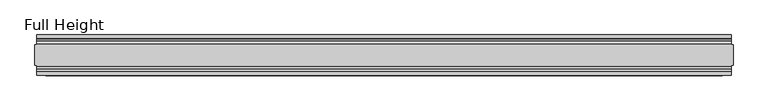
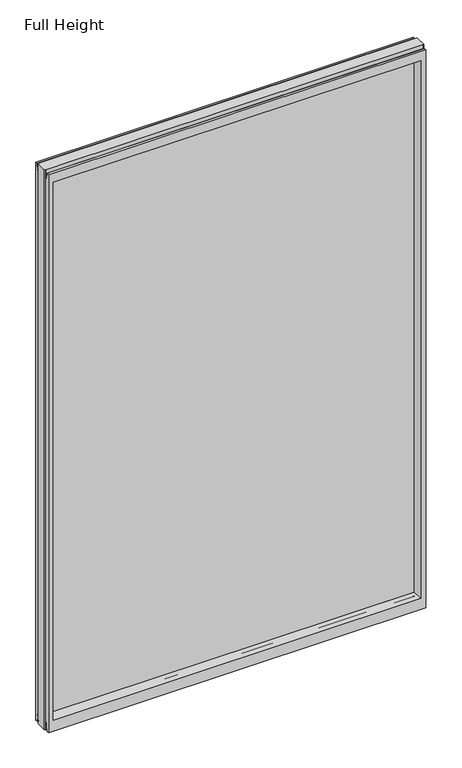
"""IFC4 building model written with IfcOpenShell, lengths in millimetres: plate geometry, Full Height."""

from ifc_helpers import new_model, si_unit, frame, origin, place, context, project, spatial, polyline, circle_curve, outline, extrude, source, transform, mapped, element, save
from ifc_brep_helpers import plane_surface, cylinder_surface, revolved_surface, advanced_brep


def full_height_a168727e(model_context):
    return source(origin(), model_context, "Body", "SolidModel", [
        extrude(outline(polyline([(828.1194857, 6.35), (828.1194857, -6.35), (-828.1194857, -6.35), (-828.1194857, 6.35), (828.1194857, 6.35)])), frame((0.0, 0.0, 58.801), z_axis=(0.0, 0.0, 1.0), x_axis=(1.0, 0.0, 0.0)), (0.0, 0.0, 1.0), 2569.845),
        advanced_brep(
        [(860.7584857, 25.146, 2688.336), (856.1864857, 25.146, 2688.336), (856.1864857, 26.67, 2688.336), (-856.1864857, 26.67, 2688.336), (-856.1864857, 25.146, 2688.336), (-860.7584857, 25.146, 2688.336), (-860.7584857, -25.146, 2688.336), (-856.1864857, -25.146, 2688.336), (-856.1864857, -26.67, 2688.336), (856.1864857, -26.67, 2688.336), (856.1864857, -25.146, 2688.336), (860.7584857, -25.146, 2688.336), (860.7584857, 25.146, 0.0), (860.7584857, -25.146, 0.0), (856.1864857, -25.146, 0.0), (856.1864857, -26.67, 0.0), (-856.1864857, -26.67, 0.0), (-856.1864857, -25.146, 0.0), (-860.7584857, -25.146, 0.0), (-860.7584857, 25.146, 0.0), (-856.1864857, 25.146, 0.0), (-856.1864857, 26.67, 0.0), (856.1864857, 26.67, 0.0), (856.1864857, 25.146, 0.0), (-856.1864857, 40.7946686, 0.0), (-856.1864857, 50.0, 0.0), (856.1864857, 50.0, 0.0), (856.1864857, 40.7946686, 0.0), (-856.1864857, 26.67, 36.4542208), (856.1864857, 26.67, 36.4542208), (-856.1864857, -26.67, 36.4542208), (-856.1864857, -34.2686707, 36.8568054), (-856.1864857, -36.9464913, 11.6561909), (-856.1864857, -39.043018, 8.6755976), (-856.1864857, -39.5246686, 7.9074686), (-856.1864857, -39.5246686, 1.27), (-856.1864857, -40.7946686, 0.0), (-856.1864857, -50.0, 0.0), (-856.1864857, -50.0, 2679.192), (-856.1864857, -39.9371387, 2679.192), (-856.1864857, -39.1867152, 2678.5623199), (-856.1864857, -34.2321175, 2650.4634004), (-856.1864857, -26.67, 2651.125), (-856.1864857, 39.5246686, 1.27), (-856.1864857, 39.5246686, 7.9074686), (-856.1864857, 39.043018, 8.6755976), (-856.1864857, 36.9464913, 11.6561909), (-856.1864857, 34.2686707, 36.8568054), (-856.1864857, 26.67, 2651.125), (-856.1864857, 34.2321175, 2650.4634004), (-856.1864857, 39.1867152, 2678.5623199), (-856.1864857, 39.9371387, 2679.192), (-856.1864857, 50.0, 2679.192), (856.1864857, -50.0, 0.0), (856.1864857, -50.0, 2679.192), (-834.0884857, -50.0, 2634.615), (834.0884857, -50.0, 2634.615), (834.0884857, -50.0, 52.8372208), (-834.0884857, -50.0, 52.8372208), (856.1864857, 50.0, 2679.192), (-834.0884857, 50.0, 52.8372208), (834.0884857, 50.0, 52.8372208), (834.0884857, 50.0, 2634.615), (-834.0884857, 50.0, 2634.615), (-828.1194857, -6.1006519, 58.8062208), (-828.1194857, -6.1006519, 2628.646), (-828.1194857, 6.1006519, 2628.646), (-828.1194857, 6.1006519, 58.8062208), (828.1194857, 6.1006519, 58.8062208), (828.1194857, 6.1006519, 2628.646), (828.1194857, -6.1006519, 2628.646), (828.1194857, -6.1006519, 58.8062208), (856.1864857, -40.7946686, 0.0), (856.1864857, -39.5246686, 1.27), (856.1864857, -39.5246686, 7.9074686), (856.1864857, -39.043018, 8.6755976), (856.1864857, -36.9464913, 11.6561909), (856.1864857, -34.2686707, 36.8568054), (856.1864857, -26.67, 36.4542208), (856.1864857, -26.67, 2651.125), (856.1864857, -34.2321175, 2650.4634004), (856.1864857, -39.1867152, 2678.5623199), (856.1864857, -39.9371387, 2679.192), (856.1864857, 39.9371387, 2679.192), (856.1864857, 39.1867152, 2678.5623199), (856.1864857, 34.2321175, 2650.4634004), (856.1864857, 26.67, 2651.125), (856.1864857, 34.2686707, 36.8568054), (856.1864857, 36.9464913, 11.6561909), (856.1864857, 39.043018, 8.6755976), (856.1864857, 39.5246686, 7.9074686), (856.1864857, 39.5246686, 1.27)],
        [
            (0, 1),
            (1, 2),
            (2, 3),
            (3, 4),
            (4, 5),
            (5, 6),
            (6, 7),
            (7, 8),
            (8, 9),
            (9, 10),
            (10, 11),
            (11, 0),
            (12, 13),
            (13, 14),
            (14, 15),
            (15, 16),
            (16, 17),
            (17, 18),
            (18, 19),
            (19, 20),
            (20, 21),
            (21, 22),
            (22, 23),
            (23, 12),
            (23, 1),
            (0, 12),
            (10, 14),
            (13, 11),
            (5, 19),
            (18, 6),
            (17, 7),
            (4, 20),
            (24, 25),
            (25, 26),
            (26, 27),
            (27, 24),
            (21, 28),
            (28, 29),
            (29, 22),
            (16, 30),
            (30, 31, circle_curve(frame((-856.1864857, -30.48, 36.4542208), z_axis=(1.0, 0.0, 0.0), x_axis=(0.0, -1.0, 0.0)), 3.81)),
            (31, 32),
            (32, 33, circle_curve(frame((-856.1864857, -40.6770502, 12.0526006), z_axis=(-1.0, 0.0, 0.0), x_axis=(0.0, -1.0, 0.0)), 3.751561)),
            (33, 34, circle_curve(frame((-856.1864857, -38.671343, 7.9074686), z_axis=(1.0, 0.0, 0.0), x_axis=(0.0, -1.0, 0.0)), 0.8533256)),
            (34, 35),
            (35, 36, circle_curve(frame((-856.1864857, -40.7946686, 1.27), z_axis=(-1.0, 0.0, 0.0), x_axis=(0.0, -1.0, 0.0)), 1.27)),
            (36, 37),
            (37, 38),
            (38, 39),
            (39, 40, circle_curve(frame((-856.1864857, -39.9371387, 2678.43), z_axis=(-1.0, 0.0, 0.0), x_axis=(0.0, -1.0, 0.0)), 0.762)),
            (40, 41),
            (41, 42, circle_curve(frame((-856.1864857, -30.48, 2651.125), z_axis=(1.0, 0.0, 0.0), x_axis=(0.0, -1.0, 0.0)), 3.81)),
            (42, 8),
            (24, 43, circle_curve(frame((-856.1864857, 40.7946686, 1.27), z_axis=(-1.0, 0.0, 0.0), x_axis=(0.0, -1.0, 0.0)), 1.27)),
            (43, 44),
            (44, 45, circle_curve(frame((-856.1864857, 38.671343, 7.9074686), z_axis=(1.0, 0.0, 0.0), x_axis=(0.0, -1.0, 0.0)), 0.8533256)),
            (45, 46, circle_curve(frame((-856.1864857, 40.6770502, 12.0526006), z_axis=(-1.0, 0.0, 0.0), x_axis=(0.0, -1.0, 0.0)), 3.751561)),
            (46, 47),
            (47, 28, circle_curve(frame((-856.1864857, 30.48, 36.4542208), z_axis=(1.0, 0.0, 0.0), x_axis=(0.0, -1.0, 0.0)), 3.81)),
            (3, 48),
            (48, 49, circle_curve(frame((-856.1864857, 30.48, 2651.125), z_axis=(1.0, 0.0, 0.0), x_axis=(0.0, -1.0, 0.0)), 3.81)),
            (49, 50),
            (50, 51, circle_curve(frame((-856.1864857, 39.9371387, 2678.43), z_axis=(-1.0, 0.0, 0.0), x_axis=(0.0, -1.0, 0.0)), 0.762)),
            (51, 52),
            (52, 25),
            (37, 53),
            (53, 54),
            (54, 38),
            (55, 56),
            (56, 57),
            (57, 58),
            (58, 55),
            (52, 59),
            (59, 26),
            (60, 61),
            (61, 62),
            (62, 63),
            (63, 60),
            (58, 64),
            (64, 65),
            (65, 55),
            (63, 66),
            (66, 67),
            (67, 60),
            (61, 68),
            (68, 69),
            (69, 62),
            (70, 71),
            (71, 57),
            (56, 70),
            (53, 72),
            (72, 73, circle_curve(frame((856.1864857, -40.7946686, 1.27), z_axis=(1.0, 0.0, 0.0), x_axis=(0.0, -1.0, 0.0)), 1.27)),
            (73, 74),
            (74, 75, circle_curve(frame((856.1864857, -38.671343, 7.9074686), z_axis=(-1.0, 0.0, 0.0), x_axis=(0.0, -1.0, 0.0)), 0.8533256)),
            (75, 76, circle_curve(frame((856.1864857, -40.6770502, 12.0526006), z_axis=(1.0, 0.0, 0.0), x_axis=(0.0, -1.0, 0.0)), 3.751561)),
            (76, 77),
            (77, 78, circle_curve(frame((856.1864857, -30.48, 36.4542208), z_axis=(-1.0, 0.0, 0.0), x_axis=(0.0, -1.0, 0.0)), 3.81)),
            (78, 15),
            (9, 79),
            (79, 80, circle_curve(frame((856.1864857, -30.48, 2651.125), z_axis=(-1.0, 0.0, 0.0), x_axis=(0.0, -1.0, 0.0)), 3.81)),
            (80, 81),
            (81, 82, circle_curve(frame((856.1864857, -39.9371387, 2678.43), z_axis=(1.0, 0.0, 0.0), x_axis=(0.0, -1.0, 0.0)), 0.762)),
            (82, 54),
            (59, 83),
            (83, 84, circle_curve(frame((856.1864857, 39.9371387, 2678.43), z_axis=(1.0, 0.0, 0.0), x_axis=(0.0, -1.0, 0.0)), 0.762)),
            (84, 85),
            (85, 86, circle_curve(frame((856.1864857, 30.48, 2651.125), z_axis=(-1.0, 0.0, 0.0), x_axis=(0.0, -1.0, 0.0)), 3.81)),
            (86, 2),
            (29, 87, circle_curve(frame((856.1864857, 30.48, 36.4542208), z_axis=(-1.0, 0.0, 0.0), x_axis=(0.0, -1.0, 0.0)), 3.81)),
            (87, 88),
            (88, 89, circle_curve(frame((856.1864857, 40.6770502, 12.0526006), z_axis=(1.0, 0.0, 0.0), x_axis=(0.0, -1.0, 0.0)), 3.751561)),
            (89, 90, circle_curve(frame((856.1864857, 38.671343, 7.9074686), z_axis=(-1.0, 0.0, 0.0), x_axis=(0.0, -1.0, 0.0)), 0.8533256)),
            (90, 91),
            (91, 27, circle_curve(frame((856.1864857, 40.7946686, 1.27), z_axis=(1.0, 0.0, 0.0), x_axis=(0.0, -1.0, 0.0)), 1.27)),
            (91, 43),
            (90, 44),
            (89, 45),
            (88, 46),
            (87, 47),
            (78, 30),
            (31, 77),
            (76, 32),
            (75, 33),
            (74, 34),
            (73, 35),
            (72, 36),
            (71, 64),
            (67, 68),
            (86, 48),
            (85, 49),
            (84, 50),
            (83, 51),
            (69, 66),
            (65, 70),
            (82, 39),
            (81, 40),
            (80, 41),
            (79, 42),
            (65, 66),
            (69, 70),
            (71, 68),
            (67, 64),
        ],
        [
            plane_surface(frame((856.1864857, 25.146, 2688.336), z_axis=(0.0, 0.0, 1.0), x_axis=(-1.0, 0.0, 0.0))),
            plane_surface(frame((856.1864857, 25.146, 0.0), z_axis=(0.0, 0.0, -1.0), x_axis=(1.0, 0.0, 0.0))),
            plane_surface(frame((860.7584857, 25.146, 2688.336), z_axis=(0.0, 1.0, 0.0), x_axis=(0.0, 0.0, -1.0))),
            plane_surface(frame((856.1864857, -25.146, 2688.336), z_axis=(0.0, -1.0, 0.0), x_axis=(0.0, 0.0, -1.0))),
            plane_surface(frame((860.7584857, -25.146, 2688.336), z_axis=(1.0, 0.0, 0.0), x_axis=(0.0, 0.0, -1.0))),
            plane_surface(frame((-860.7584857, 25.146, 2688.336), z_axis=(-1.0, 0.0, 0.0), x_axis=(0.0, 0.0, -1.0))),
            plane_surface(frame((-860.7584857, -25.146, 2688.336), z_axis=(0.0, -1.0, 0.0), x_axis=(0.0, 0.0, -1.0))),
            plane_surface(frame((-856.1864857, 25.146, 2688.336), z_axis=(0.0, 1.0, 0.0), x_axis=(0.0, 0.0, -1.0))),
            plane_surface(frame((-856.1864857, 50.0, 0.0), z_axis=(0.0, 0.0, -1.0), x_axis=(1.0, 0.0, 0.0))),
            plane_surface(frame((-856.1864857, 26.67, 36.4542208), z_axis=(0.0, 1.0, 0.0), x_axis=(1.0, 0.0, 0.0))),
            plane_surface(frame((-856.1864857, 50.0, 2646.4006), z_axis=(-1.0, 0.0, 0.0), x_axis=(0.0, 0.0, -1.0))),
            plane_surface(frame((-856.1864857, -50.0, 2646.4006), z_axis=(0.0, -1.0, 0.0), x_axis=(0.0, 0.0, -1.0))),
            plane_surface(frame((-834.0884857, 50.0, 2646.4006), z_axis=(0.0, 1.0, 0.0), x_axis=(0.0, 0.0, -1.0))),
            plane_surface(frame((-834.0884857, -50.0, 2646.4006), z_axis=(0.9908822943533606, -0.13473039277393942, 0.0), x_axis=(0.0, 0.0, -1.0))),
            plane_surface(frame((-828.1194857, 6.1006519, 2646.4006), z_axis=(0.9908822943533612, 0.13473039277393595, 0.0), x_axis=(0.0, 0.0, -1.0))),
            plane_surface(frame((834.0884857, 50.0, 2646.4006), z_axis=(-0.9908822943533602, 0.1347303927739433, 0.0), x_axis=(0.0, 0.0, -1.0))),
            plane_surface(frame((828.1194857, -6.1006519, 2646.4006), z_axis=(-0.990882294353356, -0.13473039277397456, 0.0), x_axis=(0.0, 0.0, -1.0))),
            plane_surface(frame((856.1864857, -50.0, 2646.4006), z_axis=(1.0, 0.0, 0.0), x_axis=(0.0, 0.0, -1.0))),
            cylinder_surface(frame((856.1864857, 40.7946686, 1.27), z_axis=(-1.0, 0.0, 0.0), x_axis=(0.0, -1.0, 0.0)), 1.27),
            plane_surface(frame((-856.1864857, 39.5246686, 1.27), z_axis=(0.0, -1.0, 0.0), x_axis=(1.0, 0.0, 0.0))),
            revolved_surface(polyline([(856.1864857, 37.8180174, 7.9074686), (-856.1864857, 37.8180174, 7.9074686)]), (856.1864857, 38.671343, 7.9074686), (1.0, 0.0, 0.0)),
            cylinder_surface(frame((856.1864857, 40.6770502, 12.0526006), z_axis=(-1.0, 0.0, 0.0), x_axis=(0.0, -1.0, 0.0)), 3.751561),
            plane_surface(frame((-856.1864857, 36.9464913, 11.6561909), z_axis=(0.0, -0.9944017560866671, -0.10566526151840369), x_axis=(1.0, 0.0, 0.0))),
            plane_surface(frame((-856.1864857, -26.67, 0.0), z_axis=(0.0, -1.0, 0.0), x_axis=(1.0, 0.0, 0.0))),
            plane_surface(frame((-856.1864857, -34.2686707, 36.8568054), z_axis=(0.0, 0.9944017560866222, -0.10566526151882655), x_axis=(1.0, 0.0, 0.0))),
            cylinder_surface(frame((856.1864857, -40.6770502, 12.0526006), z_axis=(-1.0, 0.0, 0.0), x_axis=(0.0, -1.0, 0.0)), 3.751561),
            revolved_surface(polyline([(856.1864857, -39.5246686, 7.9074686), (-856.1864857, -39.5246686, 7.9074686)]), (856.1864857, -38.671343, 7.9074686), (1.0, 0.0, 0.0)),
            plane_surface(frame((-856.1864857, -39.5246686, 7.9074686), z_axis=(0.0, 1.0, 0.0), x_axis=(1.0, 0.0, 0.0))),
            cylinder_surface(frame((856.1864857, -40.7946686, 1.27), z_axis=(-1.0, 0.0, 0.0), x_axis=(0.0, -1.0, 0.0)), 1.27),
            plane_surface(frame((-856.1864857, -40.7946686, 0.0), z_axis=(0.0, 0.0, -1.0), x_axis=(1.0, 0.0, 0.0))),
            plane_surface(frame((-856.1864857, -50.0, 52.8372208), z_axis=(0.0, -0.13473039277394738, 0.9908822943533596), x_axis=(1.0, 0.0, 0.0))),
            plane_surface(frame((-856.1864857, 6.1006519, 58.8062208), z_axis=(0.0, 0.13473039277399934, 0.9908822943533526), x_axis=(1.0, 0.0, 0.0))),
            revolved_surface(polyline([(856.1864857, 26.67, 36.4542208), (-856.1864857, 26.67, 36.4542208)]), (856.1864857, 30.48, 36.4542208), (1.0, 0.0, 0.0)),
            revolved_surface(polyline([(856.1864857, -34.29, 36.4542208), (-856.1864857, -34.29, 36.4542208)]), (856.1864857, -30.48, 36.4542208), (1.0, 0.0, 0.0)),
            plane_surface(frame((-856.1864857, 26.67, 2688.336), z_axis=(0.0, 1.0, 0.0), x_axis=(1.0, 0.0, 0.0))),
            revolved_surface(polyline([(856.1864857000002, 26.67, 2651.125), (-856.1864857, 26.67, 2651.125)]), (-860.7584857, 30.48, 2651.125), (1.0, 0.0, 0.0)),
            plane_surface(frame((-856.1864857, 34.2321175, 2650.4634004), z_axis=(0.0, -0.9848077530113117, 0.17364817767201388), x_axis=(1.0, 0.0, 0.0))),
            cylinder_surface(frame((-860.7584857, 39.9371387, 2678.43), z_axis=(-1.0, 0.0, 0.0), x_axis=(0.0, -1.0, 0.0)), 0.762),
            plane_surface(frame((-856.1864857, 39.9371387, 2679.192), z_axis=(0.0, 0.0, 1.0), x_axis=(1.0, 0.0, 0.0))),
            plane_surface(frame((-856.1864857, 50.0, 2634.615), z_axis=(0.0, 0.13473039277345047, -0.9908822943534271), x_axis=(1.0, 0.0, 0.0))),
            plane_surface(frame((-856.1864857, -6.1006519, 2628.646), z_axis=(0.0, -0.13473039277247867, -0.9908822943535593), x_axis=(1.0, 0.0, 0.0))),
            plane_surface(frame((-856.1864857, -50.0, 2679.192), z_axis=(0.0, 0.0, 1.0), x_axis=(1.0, 0.0, 0.0))),
            cylinder_surface(frame((-860.7584857, -39.9371387, 2678.43), z_axis=(-1.0, 0.0, 0.0), x_axis=(0.0, -1.0, 0.0)), 0.762),
            plane_surface(frame((-856.1864857, -39.1867152, 2678.5623199), z_axis=(0.0, 0.9848077530103957, 0.17364817767720897), x_axis=(1.0, 0.0, 0.0))),
            revolved_surface(polyline([(856.1864857000002, -34.29, 2651.125), (-856.1864857, -34.29, 2651.125)]), (-860.7584857, -30.48, 2651.125), (1.0, 0.0, 0.0)),
            plane_surface(frame((-856.1864857, -26.67, 2651.125), z_axis=(0.0, -1.0, 0.0), x_axis=(1.0, 0.0, 0.0))),
            plane_surface(frame((-856.1864857, 6.1006519, 2628.646), z_axis=(0.0, 0.0, -1.0), x_axis=(1.0, 0.0, 0.0))),
            plane_surface(frame((-856.1864857, -6.1006519, 58.8062208), z_axis=(0.0, 0.0, 1.0), x_axis=(1.0, 0.0, 0.0))),
            plane_surface(frame((-828.1194857, -6.1006519, 2646.4006), z_axis=(1.0, 0.0, 0.0), x_axis=(0.0, 0.0, -1.0))),
            plane_surface(frame((828.1194857, 6.1006519, 2646.4006), z_axis=(-1.0, 0.0, 0.0), x_axis=(0.0, 0.0, -1.0))),
        ],
        [
            (0, [[1, 2, 3, 4, 5, 6, 7, 8, 9, 10, 11, 12]]),
            (1, [[13, 14, 15, 16, 17, 18, 19, 20, 21, 22, 23, 24]]),
            (2, [[25, -1, 26, -24]]),
            (3, [[-11, 27, -14, 28]]),
            (4, [[-12, -28, -13, -26]]),
            (5, [[-6, 29, -19, 30]]),
            (6, [[31, -7, -30, -18]]),
            (7, [[-5, 32, -20, -29]]),
            (8, [[33, 34, 35, 36]]),
            (9, [[37, 38, 39, -22]]),
            (10, [[-17, 40, 41, 42, 43, 44, 45, 46, 47, 48, 49, 50, 51, 52, 53, -8, -31]]),
            (10, [[-33, 54, 55, 56, 57, 58, 59, -37, -21, -32, -4, 60, 61, 62, 63, 64, 65]]),
            (11, [[-48, 66, 67, 68], [69, 70, 71, 72]]),
            (12, [[-65, 73, 74, -34], [75, 76, 77, 78]]),
            (13, [[-72, 79, 80, 81]]),
            (14, [[-78, 82, 83, 84]]),
            (15, [[-76, 85, 86, 87]]),
            (16, [[88, 89, -70, 90]]),
            (17, [[-67, 91, 92, 93, 94, 95, 96, 97, 98, -15, -27, -10, 99, 100, 101, 102, 103]]),
            (17, [[-74, 104, 105, 106, 107, 108, -2, -25, -23, -39, 109, 110, 111, 112, 113, 114, -35]]),
            (18, [[-54, -36, -114, 115]]),
            (19, [[-55, -115, -113, 116]]),
            (20, [[-56, -116, -112, 117]]),
            (21, [[-57, -117, -111, 118]]),
            (22, [[-58, -118, -110, 119]]),
            (23, [[-40, -16, -98, 120]]),
            (24, [[-42, 121, -96, 122]]),
            (25, [[-43, -122, -95, 123]]),
            (26, [[-44, -123, -94, 124]]),
            (27, [[-45, -124, -93, 125]]),
            (28, [[-46, -125, -92, 126]]),
            (29, [[-47, -126, -91, -66]]),
            (30, [[-71, -89, 127, -79]]),
            (31, [[-75, -84, 128, -85]]),
            (32, [[-59, -119, -109, -38]]),
            (33, [[-41, -120, -97, -121]]),
            (34, [[-60, -3, -108, 129]]),
            (35, [[-61, -129, -107, 130]]),
            (36, [[-62, -130, -106, 131]]),
            (37, [[-63, -131, -105, 132]]),
            (38, [[-64, -132, -104, -73]]),
            (39, [[-77, -87, 133, -82]]),
            (40, [[-69, -81, 134, -90]]),
            (41, [[-49, -68, -103, 135]]),
            (42, [[-50, -135, -102, 136]]),
            (43, [[-51, -136, -101, 137]]),
            (44, [[-52, -137, -100, 138]]),
            (45, [[-53, -138, -99, -9]]),
            (46, [[-134, 139, -133, 140]]),
            (47, [[-127, 141, -128, 142]]),
            (48, [[-83, -139, -80, -142]]),
            (49, [[-88, -140, -86, -141]]),
        ],
    ),
        extrude(outline(polyline([(-828.1194857, 6.35), (828.1194857, 6.35), (828.1194857, -6.35), (-828.1194857, -6.35), (-828.1194857, 6.35)])), frame((0.0, 0.0, 58.8062208), z_axis=(0.0, 0.0, 1.0), x_axis=(1.0, 0.0, 0.0)), (0.0, 0.0, 1.0), 2569.8397792),
    ])


if __name__ == "__main__":
    model = new_model("IFC4")
    model_context = context("Model", 3, world=origin())
    ifc_project = project(units=[si_unit("LENGTHUNIT", "METRE", prefix="MILLI")], contexts=[model_context])
    site = spatial("IfcSite", under=ifc_project)
    building = spatial("IfcBuilding", under=site)
    placement = place(None, origin())
    full_height_shape = full_height_a168727e(model_context)
    element("IfcPlate", 1, ObjectType="Full Height", at=placement, inside=building, context=model_context, shape_type="MappedRepresentation", body=[
        mapped(full_height_shape, transform((0.0, 0.0, 0.0), x_axis=(1.0, 0.0, 0.0), y_axis=(0.0, 1.0, 0.0), z_axis=(0.0, 0.0, 1.0))),
    ])
    save(model, "model.ifc")
